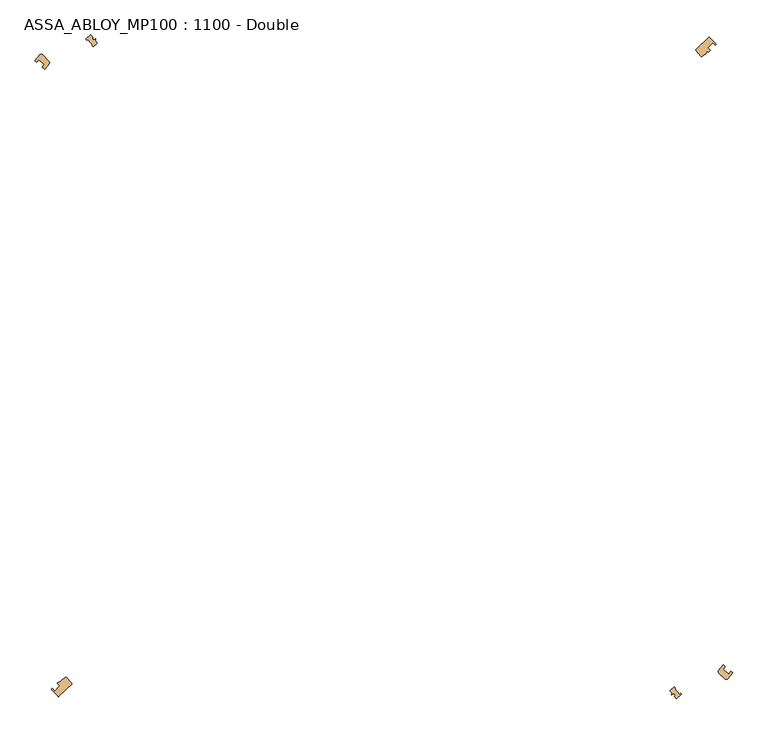
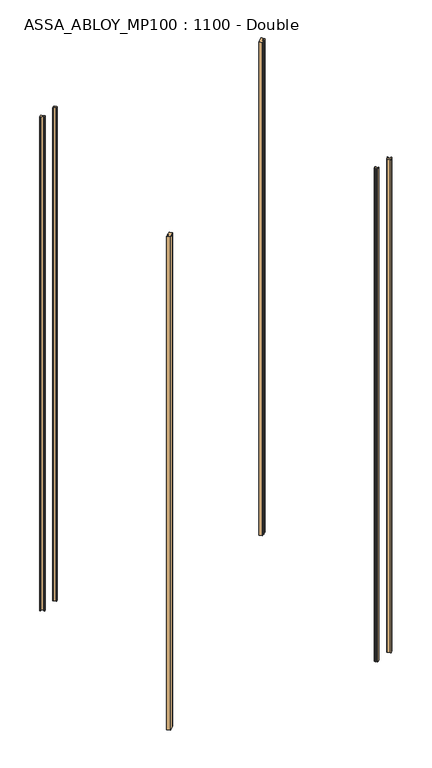
"""IFC4 building model written with IfcOpenShell, lengths in millimetres: door geometry, ASSA_ABLOY_MP100 : 1100 - Double."""

from ifc_helpers import new_model, si_unit, point, frame_2d, origin, origin_with_axes, place, context, project, spatial, polyline, circle_curve, trimmed, segment, composite_curve, outline, extrude, source, transform, mapped, element, save


def assa_abloy_mp100_1100_double_e7d10a2a(model_context):
    return source(origin(), model_context, "Body", "SweptSolid", [
        extrude(outline(composite_curve([segment(polyline([(726.7972345, 611.4134708), (752.005532, 635.2685313)]), True, "CONTINUOUS"), segment(trimmed(circle_curve(frame_2d((752.6928744, 634.5421978)), 1.0), [point((752.005532, 635.2685313))], [point((753.3960042, 635.2532592))], False, "CARTESIAN"), True, "CONTINUOUS"), segment(trimmed(circle_curve(frame_2d((145.5060967, 20.5060967)), 864.5485606), [point((753.3960042, 635.2532592))], [point((766.7272716, 621.7784687))], False, "CARTESIAN"), True, "CONTINUOUS"), segment(polyline([(766.7272716, 621.7784687), (764.5716223, 619.6920421)]), True, "CONTINUOUS"), segment(trimmed(circle_curve(frame_2d((145.5060967, 20.5060967)), 861.5485606), [point((764.5716223, 619.6920421))], [point((759.6828597, 624.7021129))], True, "CARTESIAN"), True, "CONTINUOUS"), segment(polyline([(759.6828597, 624.7021129), (749.6228253, 614.9651287)]), True, "CONTINUOUS"), segment(trimmed(circle_curve(frame_2d((145.5060967, 20.5060967)), 847.5485606), [point((749.6228253, 614.9651287))], [point((754.5119254, 609.9553847))], False, "CARTESIAN"), True, "CONTINUOUS"), segment(polyline([(754.5119254, 609.9553847), (751.0407856, 606.5957109), (749.5559673, 608.1684626), (745.5594019, 603.0677693)]), True, "CONTINUOUS"), segment(trimmed(circle_curve(frame_2d((742.410796, 605.5348083)), 4.0), [point((745.5594019, 603.0677693))], [point((744.7005304, 602.2550039))], False, "CARTESIAN"), True, "CONTINUOUS"), segment(polyline([(744.7005304, 602.2550039), (738.7538625, 598.1034485)]), True, "CONTINUOUS"), segment(trimmed(circle_curve(frame_2d((738.4820549, 599.0658001)), 1.0), [point((738.7538625, 598.1034485))], [point((737.7557214, 598.3784577))], False, "CARTESIAN"), True, "CONTINUOUS"), segment(polyline([(737.7557214, 598.3784577), (726.7582433, 609.9997948)]), True, "CONTINUOUS"), segment(trimmed(circle_curve(frame_2d((727.4845768, 610.6871372)), 1.0), [point((726.7582433, 609.9997948))], [point((726.7972345, 611.4134708))], False, "CARTESIAN"), True, "CONTINUOUS")], self_intersect=False)), origin_with_axes(), (0.0, 0.0, 1.0), 3000.0),
        extrude(outline(composite_curve([segment(polyline([(-476.7972345, -611.4134708), (-502.005532, -635.2685313)]), True, "CONTINUOUS"), segment(trimmed(circle_curve(frame_2d((-502.6928744, -634.5421978)), 1.0), [point((-502.005532, -635.2685313))], [point((-503.3960042, -635.2532592))], False, "CARTESIAN"), True, "CONTINUOUS"), segment(trimmed(circle_curve(frame_2d((104.4939033, -20.5060967)), 864.5485606), [point((-503.3960042, -635.2532592))], [point((-516.7272716, -621.7784687))], False, "CARTESIAN"), True, "CONTINUOUS"), segment(polyline([(-516.7272716, -621.7784687), (-514.5716223, -619.6920421)]), True, "CONTINUOUS"), segment(trimmed(circle_curve(frame_2d((104.4939033, -20.5060967)), 861.5485606), [point((-514.5716223, -619.6920421))], [point((-509.6828597, -624.7021129))], True, "CARTESIAN"), True, "CONTINUOUS"), segment(polyline([(-509.6828597, -624.7021129), (-499.6228253, -614.9651287)]), True, "CONTINUOUS"), segment(trimmed(circle_curve(frame_2d((104.4939033, -20.5060967)), 847.5485606), [point((-499.6228253, -614.9651287))], [point((-504.5119254, -609.9553847))], False, "CARTESIAN"), True, "CONTINUOUS"), segment(polyline([(-504.5119254, -609.9553847), (-501.0407856, -606.5957109), (-499.5559673, -608.1684626), (-495.5594019, -603.0677693)]), True, "CONTINUOUS"), segment(trimmed(circle_curve(frame_2d((-492.410796, -605.5348083)), 4.0), [point((-495.5594019, -603.0677693))], [point((-494.7005304, -602.2550039))], False, "CARTESIAN"), True, "CONTINUOUS"), segment(polyline([(-494.7005304, -602.2550039), (-488.7538625, -598.1034485)]), True, "CONTINUOUS"), segment(trimmed(circle_curve(frame_2d((-488.4820549, -599.0658001)), 1.0), [point((-488.7538625, -598.1034485))], [point((-487.7557214, -598.3784577))], False, "CARTESIAN"), True, "CONTINUOUS"), segment(polyline([(-487.7557214, -598.3784577), (-476.7582433, -609.9997948)]), True, "CONTINUOUS"), segment(trimmed(circle_curve(frame_2d((-477.4845768, -610.6871372)), 1.0), [point((-476.7582433, -609.9997948))], [point((-476.7972345, -611.4134708))], False, "CARTESIAN"), True, "CONTINUOUS")], self_intersect=False)), origin_with_axes(), (0.0, 0.0, 1.0), 3000.0),
        extrude(outline(composite_curve([segment(polyline([(-547.9207736, 589.7535757), (-538.2585603, 601.5111152)]), True, "CONTINUOUS"), segment(trimmed(circle_curve(frame_2d((-535.6792227, 598.4538259)), 4.0), [point((-538.2585603, 601.5111152))], [point((-532.8507956, 601.2822531))], False, "CARTESIAN"), True, "CONTINUOUS"), segment(polyline([(-532.8507956, 601.2822531), (-520.8818644, 589.3133219)]), True, "CONTINUOUS"), segment(trimmed(circle_curve(frame_2d((-523.7102915, 586.4848947)), 4.0), [point((-520.8818644, 589.3133219))], [point((-520.6198667, 583.9453525))], False, "CARTESIAN"), True, "CONTINUOUS"), segment(polyline([(-520.6198667, 583.9453525), (-529.2752254, 573.4124563), (-534.2107077, 577.7379556)]), True, "CONTINUOUS"), segment(trimmed(circle_curve(frame_2d((125.0, 0.0)), 876.55), [point((-534.2107077, 577.7379556))], [point((-529.5759564, 582.9838932))], False, "CARTESIAN"), True, "CONTINUOUS"), segment(polyline([(-529.5759564, 582.9838932), (-540.1050073, 592.2116444)]), True, "CONTINUOUS"), segment(trimmed(circle_curve(frame_2d((125.0, 0.0)), 890.55), [point((-540.1050073, 592.2116444))], [point((-544.7394281, 586.9654171))], True, "CARTESIAN"), True, "CONTINUOUS"), segment(polyline([(-544.7394281, 586.9654171), (-547.9207736, 589.7535757)]), True, "CONTINUOUS")], self_intersect=False)), origin_with_axes(), (0.0, 0.0, 1.0), 3000.0),
        extrude(outline(composite_curve([segment(polyline([(797.9233275, -589.7504464), (788.2584609, -601.5112146)]), True, "CONTINUOUS"), segment(trimmed(circle_curve(frame_2d((785.6789402, -598.460754)), 3.9949013), [point((788.2584609, -601.5112146))], [point((782.8541184, -601.2855759))], False, "CARTESIAN"), True, "CONTINUOUS"), segment(polyline([(782.8541184, -601.2855759), (771.6150545, -590.046512)]), True, "CONTINUOUS"), segment(trimmed(circle_curve(frame_2d((774.4434816, -587.2180849)), 4.0), [point((771.6150545, -590.046512))], [point((771.3530568, -584.6785426))], False, "CARTESIAN"), True, "CONTINUOUS"), segment(polyline([(771.3530568, -584.6785426), (780.0541995, -574.0899309), (784.2122316, -577.7340329)]), True, "CONTINUOUS"), segment(trimmed(circle_curve(frame_2d((125.0, 0.0)), 876.5485606), [point((784.2122316, -577.7340329))], [point((779.5775039, -582.9799914))], False, "CARTESIAN"), True, "CONTINUOUS"), segment(polyline([(779.5775039, -582.9799914), (790.1065965, -592.2076951)]), True, "CONTINUOUS"), segment(trimmed(circle_curve(frame_2d((125.0, 0.0)), 890.5485606), [point((790.1065965, -592.2076951))], [point((794.7409937, -586.9614469))], True, "CARTESIAN"), True, "CONTINUOUS"), segment(polyline([(794.7409937, -586.9614469), (797.9233275, -589.7504464)]), True, "CONTINUOUS")], self_intersect=False)), origin_with_axes(), (0.0, 0.0, 1.0), 3000.0),
        extrude(outline(composite_curve([segment(polyline([(-431.731165, 629.8561377), (-427.2694425, 624.2761512)]), True, "CONTINUOUS"), segment(trimmed(circle_curve(frame_2d((125.0, 0.0)), 833.5), [point((-427.2694425, 624.2761512))], [point((-435.4101529, 616.9786954))], True, "CARTESIAN"), True, "CONTINUOUS"), segment(polyline([(-435.4101529, 616.9786954), (-437.7309781, 619.2995206), (-436.6890257, 620.1326593), (-445.4320477, 631.066989), (-447.6916681, 629.2602106), (-449.6500914, 631.2186339)]), True, "CONTINUOUS"), segment(trimmed(circle_curve(frame_2d((125.0, 0.0)), 853.6156578), [point((-449.6500914, 631.2186339))], [point((-439.8469152, 640.0059794))], False, "CARTESIAN"), True, "CONTINUOUS"), segment(polyline([(-439.8469152, 640.0059794), (-435.7904251, 634.9327908), (-437.742984, 633.3715369), (-435.5572285, 630.6379544), (-430.8154373, 632.7140891), (-430.1969428, 631.9405782), (-431.731165, 629.8561377)]), True, "CONTINUOUS")], self_intersect=False)), origin_with_axes(), (0.0, 0.0, 1.0), 3000.0),
        extrude(outline(composite_curve([segment(polyline([(681.3767965, -629.5017692), (677.2694425, -624.2761512)]), True, "CONTINUOUS"), segment(trimmed(circle_curve(frame_2d((125.0, 0.0)), 833.5), [point((677.2694425, -624.2761512))], [point((685.4101529, -616.9786954))], True, "CARTESIAN"), True, "CONTINUOUS"), segment(polyline([(685.4101529, -616.9786954), (687.7309781, -619.2995206), (686.6890257, -620.1326593), (695.4320477, -631.066989), (697.6916681, -629.2602106), (699.2960216, -630.8645641)]), True, "CONTINUOUS"), segment(trimmed(circle_curve(frame_2d((125.0, 0.0)), 853.1154779), [point((699.2960216, -630.8645641))], [point((689.4925467, -639.6516109))], False, "CARTESIAN"), True, "CONTINUOUS"), segment(polyline([(689.4925467, -639.6516109), (685.4360567, -634.5784223), (687.3886155, -633.0171684), (685.2028601, -630.2835859), (680.4610688, -632.3597206), (679.8425743, -631.5862097), (681.3767965, -629.5017692)]), True, "CONTINUOUS")], self_intersect=False)), origin_with_axes(), (0.0, 0.0, 1.0), 3000.0),
    ])


if __name__ == "__main__":
    model = new_model("IFC4")
    model_context = context("Model", 3, world=origin())
    ifc_project = project(units=[si_unit("LENGTHUNIT", "METRE", prefix="MILLI")], contexts=[model_context])
    site = spatial("IfcSite", under=ifc_project)
    building = spatial("IfcBuilding", under=site)
    placement = place(None, origin())
    assa_abloy_mp100_1100_double_shape = assa_abloy_mp100_1100_double_e7d10a2a(model_context)
    element("IfcDoor", 1, ObjectType="ASSA_ABLOY_MP100 : 1100 - Double", at=placement, inside=building, context=model_context, shape_type="MappedRepresentation", body=[
        mapped(assa_abloy_mp100_1100_double_shape, transform((0.0, 0.0, 0.0), x_axis=(1.0, 0.0, 0.0), y_axis=(0.0, 1.0, 0.0), z_axis=(0.0, 0.0, 1.0))),
    ])
    save(model, "model.ifc")
